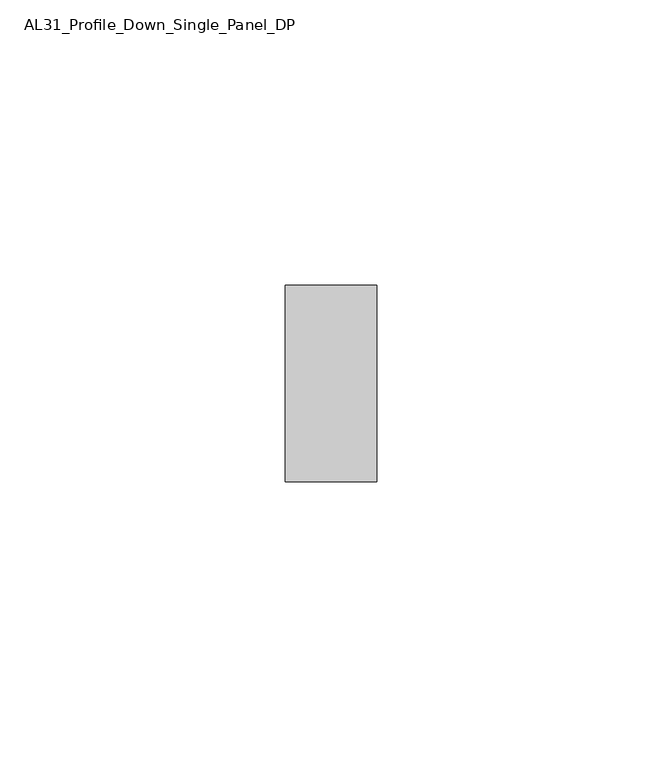
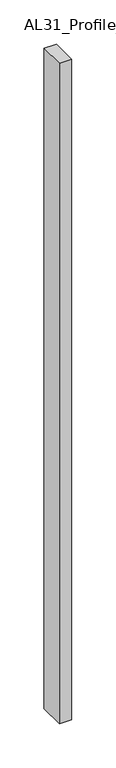
"""IFC4 building model written with IfcOpenShell, lengths in millimetres: member geometry, AL31_Profile_Down_Single_Panel_DP."""

from ifc_helpers import new_model, si_unit, frame, origin, place, context, project, spatial, polyline, outline, extrude, source, transform, mapped, element, save


def al31_profile_down_single_panel_dp_cd3aaf0f(model_context):
    return source(origin(), model_context, "Body", "SweptSolid", [
        extrude(outline(polyline([(0.0, 37.107), (0.0, 2.607), (-16.0427074, 2.607), (-16.0427074, 37.107), (0.0, 37.107)])), frame((0.0, 0.0, -911.0), z_axis=(0.0, 0.0, 1.0), x_axis=(1.0, 0.0, 0.0)), (0.0, 0.0, 1.0), 911.0),
    ])


if __name__ == "__main__":
    model = new_model("IFC4")
    model_context = context("Model", 3, world=origin())
    ifc_project = project(units=[si_unit("LENGTHUNIT", "METRE", prefix="MILLI")], contexts=[model_context])
    site = spatial("IfcSite", under=ifc_project)
    building = spatial("IfcBuilding", under=site)
    placement = place(None, origin())
    al31_profile_down_single_panel_dp_shape = al31_profile_down_single_panel_dp_cd3aaf0f(model_context)
    element("IfcMember", 1, ObjectType="AL31_Profile_Down_Single_Panel_DP", at=placement, inside=building, context=model_context, shape_type="MappedRepresentation", body=[
        mapped(al31_profile_down_single_panel_dp_shape, transform((0.0, 0.0, 0.0), x_axis=(1.0, 0.0, 0.0), y_axis=(0.0, 1.0, 0.0), z_axis=(0.0, 0.0, 1.0))),
    ])
    save(model, "model.ifc")
